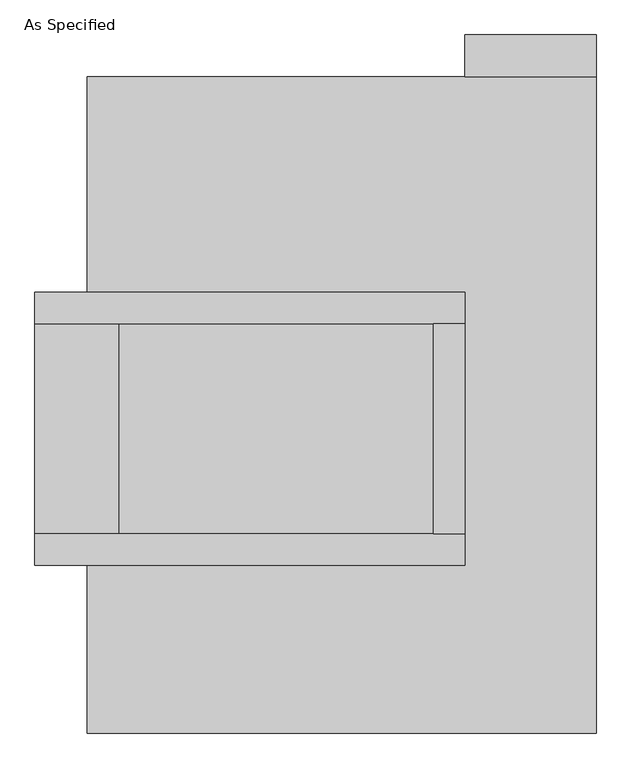
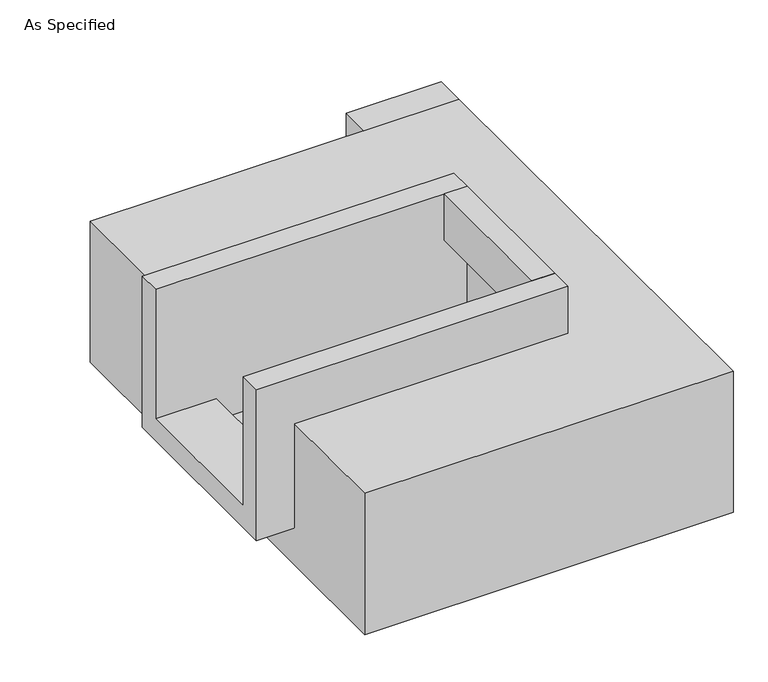
"""IFC4 building model written with IfcOpenShell, lengths in millimetres: proxy geometry, As Specified."""

from ifc_helpers import new_model, si_unit, frame, origin, place, context, project, spatial, polyline, outline, extrude, faceted_brep, source, transform, mapped, element, save


def as_specified_9eb85a8c(model_context):
    return source(origin(), model_context, "Body", "SolidModel", [
        extrude(outline(polyline([(692.15, 793.75), (374.65, 793.75), (374.65, 895.35), (692.15, 895.35), (692.15, 793.75)])), frame((0.0, 0.0, -523.9742188), z_axis=(0.0, 0.0, 1.0), x_axis=(1.0, 0.0, 0.0)), (0.0, 0.0, 1.0), 498.5742187),
        extrude(outline(polyline([(298.45, 196.85), (374.65, 196.85), (374.65, -311.15), (298.45, -311.15), (298.45, 196.85)])), frame((0.0, 0.0, -25.4), z_axis=(0.0, 0.0, 1.0), x_axis=(1.0, 0.0, 0.0)), (0.0, 0.0, 1.0), 165.1),
        faceted_brep([(374.65, 196.85, 139.7), (374.65, 196.85, -317.5), (374.65, -311.15, -317.5), (374.65, -311.15, 139.7), (374.65, -387.35, 139.7), (374.65, -387.35, -393.7), (374.65, 273.05, -393.7), (374.65, 273.05, 139.7), (-666.75, 196.85, 139.7), (-666.75, 273.05, 139.7), (-666.75, 273.05, -393.7), (-666.75, -387.35, -393.7), (-666.75, -387.35, 139.7), (-666.75, -311.15, 139.7), (-666.75, -311.15, -317.5), (-666.75, 196.85, -317.5), (-463.55, 196.85, -393.7), (-463.55, -311.15, -393.7), (298.45, -311.15, -393.7), (298.45, 196.85, -393.7), (298.45, -311.15, -317.5), (-463.55, -311.15, -317.5), (298.45, 196.85, -317.5), (-463.55, 196.85, -317.5)], [[[0, 1, 2, 3, 4, 5, 6, 7]], [[8, 9, 10, 11, 12, 13, 14, 15]], [[0, 7, 9, 8]], [[7, 6, 10, 9]], [[6, 5, 11, 10], [16, 17, 18, 19]], [[4, 3, 13, 12]], [[3, 2, 20, 18, 17, 21, 14, 13]], [[2, 1, 22, 20]], [[15, 14, 21, 23]], [[1, 0, 8, 15, 23, 16, 19, 22]], [[21, 17, 16, 23]], [[18, 20, 22, 19]], [[5, 4, 12, 11]]]),
        faceted_brep([(692.15, 793.75, -523.9742188), (692.15, -793.75, -523.9742188), (-539.75, -793.75, -523.9742188), (-539.75, 793.75, -523.9742188), (-539.75, 793.75, -25.4), (-539.75, 273.05, -25.4), (374.65, 273.05, -25.4), (374.65, -387.35, -25.4), (-539.75, -387.35, -25.4), (-539.75, -793.75, -25.4), (692.15, -793.75, -25.4), (692.15, 793.75, -25.4), (-539.75, -387.35, -393.7), (-539.75, 273.05, -393.7), (374.65, 273.05, -393.7), (374.65, -387.35, -393.7)], [[[0, 1, 2, 3]], [[4, 5, 6, 7, 8, 9, 10, 11]], [[0, 3, 4, 11]], [[4, 3, 2, 9, 8, 12, 13, 5]], [[2, 1, 10, 9]], [[14, 15, 7, 6]], [[13, 14, 6, 5]], [[15, 14, 13, 12]], [[15, 12, 8, 7]], [[1, 0, 11, 10]]]),
    ])


if __name__ == "__main__":
    model = new_model("IFC4")
    model_context = context("Model", 3, world=origin())
    ifc_project = project(units=[si_unit("LENGTHUNIT", "METRE", prefix="MILLI")], contexts=[model_context])
    site = spatial("IfcSite", under=ifc_project)
    building = spatial("IfcBuilding", under=site)
    placement = place(None, origin())
    as_specified_shape = as_specified_9eb85a8c(model_context)
    element("IfcBuildingElementProxy", 1, Name="As Specified", ObjectType="As Specified", at=placement, inside=building, context=model_context, shape_type="MappedRepresentation", body=[
        mapped(as_specified_shape, transform((0.0, 0.0, 0.0), x_axis=(1.0, 0.0, 0.0), y_axis=(0.0, 1.0, 0.0), z_axis=(0.0, 0.0, 1.0))),
    ])
    save(model, "model.ifc")
